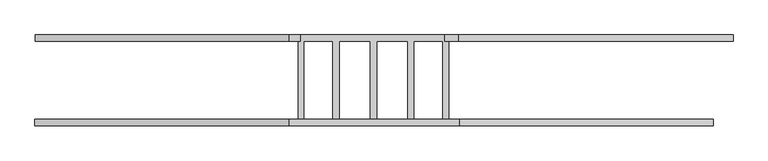
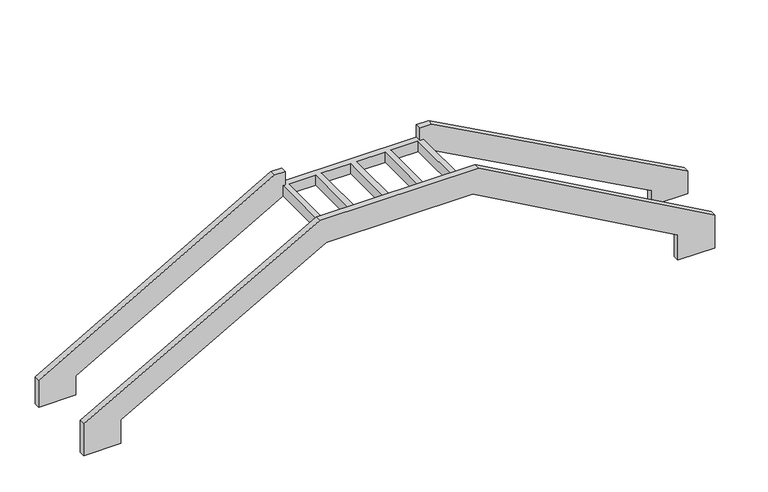
"""IFC4 building model written with IfcOpenShell, lengths in millimetres: stair geometry."""

from ifc_helpers import new_model, si_unit, origin, place, context, project, spatial, faceted_brep, source, transform, mapped, element, save


def stair_49742b36(model_context):
    return source(origin(), model_context, "Body", "Brep", [
        faceted_brep([(93238.7351577, 100402.3908493, -2142.0293764), (96658.2294519, 100402.390807, -221.1765302), (99093.2573062, 100402.3907769, -221.1765302), (102505.1621504, 100402.3907348, -2136.6103578), (102505.1621504, 100402.3907348, -2573.2639797), (103117.7324303, 100402.3907272, -2573.2639797), (103117.7324303, 100402.3907272, -1994.5685032), (99193.0021596, 100402.3907757, 208.7640832), (96544.3420751, 100402.3908084, 208.7640832), (92619.1144691, 100402.390857, -1996.177341), (92619.1144691, 100402.390857, -2554.9395685), (93238.7351577, 100402.3908493, -2554.9395685), (93238.7351589, 100502.5869456, -2142.0293764), (93238.7351589, 100502.5869456, -2554.9395685), (92619.1144703, 100502.5869533, -2554.9395685), (92619.1144703, 100502.5869533, -1996.177341), (96544.3420763, 100502.5869047, 208.7640832), (99193.0021608, 100502.586872, 208.7640832), (103117.7324315, 100502.5868235, -1994.5685032), (103117.7324315, 100502.5868235, -2573.2639797), (102505.1621517, 100502.5868311, -2573.2639797), (102505.1621517, 100502.5868311, -2136.6103578), (99093.2573075, 100502.5868732, -221.1765302), (96658.2294532, 100502.5869033, -221.1765302), (96691.831779, 100502.5869029, -203.9867204), (96780.3586482, 100502.5869018, -203.9867204), (96780.3592602, 100502.5869018, -19.125), (96691.831779, 100502.5869029, -19.125), (97230.0325596, 100502.5868963, -193.9867204), (97325.0055028, 100502.5868951, -193.9867204), (97325.0052801, 100502.5868951, -19.125), (97230.0325596, 100502.5868963, -19.125), (97811.8108421, 100502.5868891, -193.9867204), (97906.7837853, 100502.5868879, -193.9867204), (97906.7836437, 100502.5868879, -19.125), (97811.8108421, 100502.5868891, -19.125), (98384.8669145, 100502.586882, -193.9867204), (98479.8398577, 100502.5868808, -193.9867204), (98479.8406513, 100502.5868808, -19.125), (98384.8669145, 100502.586882, -19.125), (98930.534136, 100502.5868753, -193.9867204), (99022.5747015, 100502.5868741, -193.9867204), (99022.5747571, 100502.5868741, -19.125), (98930.534136, 100502.5868753, -19.125), (93243.7356631, 101705.1389351, -2161.7894637), (96678.5016238, 101705.1388926, -201.1765302), (96691.8317939, 101705.1388924, -201.1765302), (96691.8317939, 101705.1388924, -19.125), (96726.3619469, 101705.138892, -19.125), (96726.3619469, 101705.138892, 218.7640832), (96544.0529154, 101705.1388943, 218.7640832), (92624.1149746, 101705.1389427, -2018.7918707), (92624.1149746, 101705.1389427, -2494.9395685), (93243.7356631, 101705.1389351, -2494.9395685), (99061.0914708, 101705.1388632, -201.1765302), (102813.0676857, 101705.1388168, -2243.3756928), (102813.0676857, 101705.1388168, -2513.5005751), (103422.7329357, 101705.1388092, -2513.5005751), (103422.7329357, 101705.1388092, -2118.149772), (99166.4231193, 101705.1388619, 198.7640832), (98962.6038317, 101705.1388644, 198.7640832), (98962.6038317, 101705.1388644, -19.125), (99022.5747164, 101705.1388636, -19.125), (99022.5747164, 101705.1388636, -193.9867204), (98930.5341509, 101705.1388648, -193.9867204), (98930.5341509, 101705.1388648, -19.125), (98479.8398725, 101705.1388703, -19.125), (98479.8398725, 101705.1388703, -193.9867204), (98384.8669294, 101705.1388715, -193.9867204), (98384.8669294, 101705.1388715, -19.125), (97906.7838001, 101705.1388774, -19.125), (97906.7838001, 101705.1388774, -193.9867204), (97811.8108569, 101705.1388786, -193.9867204), (97811.8108569, 101705.1388786, -19.125), (97325.0055176, 101705.1388846, -19.125), (97325.0055176, 101705.1388846, -193.9867204), (97230.0325745, 101705.1388858, -193.9867204), (97230.0325745, 101705.1388858, -19.125), (96780.3586631, 101705.1388913, -19.125), (96780.3586631, 101705.1388913, -201.1765302), (93243.7356644, 101805.3350314, -2161.7894637), (93243.7356644, 101805.3350314, -2494.9395685), (92624.1149758, 101805.335039, -2494.9395685), (92624.1149758, 101805.335039, -2018.7918707), (96544.0529167, 101805.3349906, 218.7640832), (96726.3619481, 101805.3349883, 218.7640832), (96726.3619481, 101805.3349883, -19.125), (98962.603833, 101805.3349607, -19.125), (98962.603833, 101805.3349607, 198.7640832), (99166.4231205, 101805.3349582, 198.7640832), (103422.732937, 101805.3349056, -2118.149772), (103422.732937, 101805.3349056, -2513.5005751), (102813.0676869, 101805.3349131, -2513.5005751), (102813.0676869, 101805.3349131, -2243.3756928), (99061.0914721, 101805.3349595, -201.1765302), (96678.5016251, 101805.3349889, -201.1765302), (96780.3586639, 101765.7914424, -201.1765302), (96691.8317946, 101765.7914434, -201.1765302), (96780.3586639, 101765.7914424, -203.9867204), (96691.8317946, 101765.7914434, -203.9867204)], [[[0, 1, 2, 3, 4, 5, 6, 7, 8, 9, 10, 11]], [[12, 13, 14, 15, 16, 17, 18, 19, 20, 21, 22, 23], [24, 25, 26, 27], [28, 29, 30, 31], [32, 33, 34, 35], [36, 37, 38, 39], [40, 41, 42, 43]], [[1, 0, 12, 23]], [[2, 1, 23, 22]], [[3, 2, 22, 21]], [[4, 3, 21, 20]], [[5, 4, 20, 19]], [[6, 5, 19, 18]], [[7, 6, 18, 17]], [[8, 7, 17, 16]], [[9, 8, 16, 15]], [[10, 9, 15, 14]], [[11, 10, 14, 13]], [[0, 11, 13, 12]], [[44, 45, 46, 47, 48, 49, 50, 51, 52, 53]], [[54, 55, 56, 57, 58, 59, 60, 61, 62, 63, 64, 65, 66, 67, 68, 69, 70, 71, 72, 73, 74, 75, 76, 77, 78, 79]], [[80, 81, 82, 83, 84, 85, 86, 87, 88, 89, 90, 91, 92, 93, 94, 95]], [[45, 44, 80, 95]], [[95, 94, 54, 79, 96, 97, 46, 45]], [[55, 54, 94, 93]], [[56, 55, 93, 92]], [[57, 56, 92, 91]], [[58, 57, 91, 90]], [[59, 58, 90, 89]], [[60, 59, 89, 88]], [[51, 50, 84, 83]], [[52, 51, 83, 82]], [[53, 52, 82, 81]], [[44, 53, 81, 80]], [[87, 61, 60, 88]], [[49, 48, 86, 85]], [[50, 49, 85, 84]], [[98, 99, 97, 96]], [[99, 98, 25, 24]], [[25, 98, 96, 79, 78, 26]], [[27, 26, 78, 77, 31, 30, 74, 73, 35, 34, 70, 69, 39, 38, 66, 65, 43, 42, 62, 61, 87, 86, 48, 47]], [[99, 24, 27, 47, 46, 97]], [[29, 28, 76, 75]], [[30, 29, 75, 74]], [[28, 31, 77, 76]], [[33, 32, 72, 71]], [[34, 33, 71, 70]], [[32, 35, 73, 72]], [[37, 36, 68, 67]], [[38, 37, 67, 66]], [[36, 39, 69, 68]], [[41, 40, 64, 63]], [[42, 41, 63, 62]], [[40, 43, 65, 64]]]),
    ])


if __name__ == "__main__":
    model = new_model("IFC4")
    model_context = context("Model", 3, world=origin())
    ifc_project = project(units=[si_unit("LENGTHUNIT", "METRE", prefix="MILLI")], contexts=[model_context])
    site = spatial("IfcSite", under=ifc_project)
    building = spatial("IfcBuilding", under=site)
    placement = place(None, origin())
    stair_shape = stair_49742b36(model_context)
    element("IfcStair", 1, at=placement, inside=building, context=model_context, shape_type="MappedRepresentation", body=[
        mapped(stair_shape, transform((0.0, 0.0, 0.0), x_axis=(1.0, 0.0, 0.0), y_axis=(0.0, 1.0, 0.0), z_axis=(0.0, 0.0, 1.0))),
    ])
    save(model, "model.ifc")
